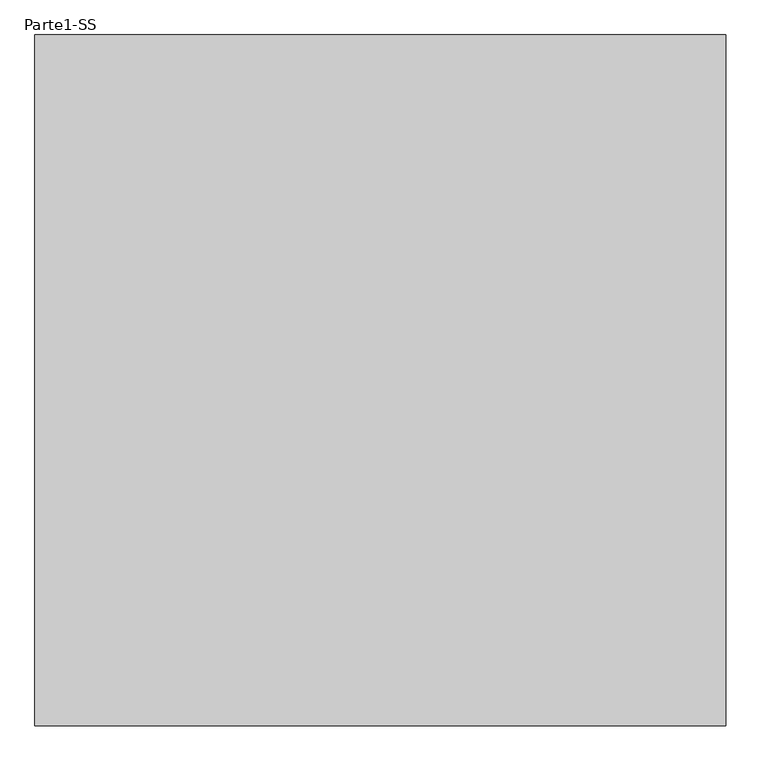
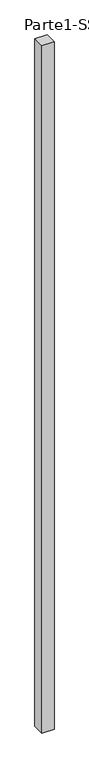
"""IFC4 building model written with IfcOpenShell, lengths in millimetres: proxy geometry, Parte1-SS."""

from ifc_helpers import new_model, si_unit, frame, origin, place, context, project, spatial, polyline, outline, extrude, source, transform, mapped, element, save


def parte1_ss_e330ee4c(model_context):
    return source(origin(), model_context, "Body", "SweptSolid", [
        extrude(outline(polyline([(2000.0, 2000.0), (2000.0, 0.0), (0.0, 0.0), (0.0, 2000.0), (2000.0, 2000.0)])), frame((0.0, 0.0, 25000.0), z_axis=(0.0, 0.0, 1.0), x_axis=(1.0, 0.0, 0.0)), (0.0, 0.0, 1.0), 120000.0),
    ])


if __name__ == "__main__":
    model = new_model("IFC4")
    model_context = context("Model", 3, world=origin())
    ifc_project = project(units=[si_unit("LENGTHUNIT", "METRE", prefix="MILLI")], contexts=[model_context])
    site = spatial("IfcSite", under=ifc_project)
    building = spatial("IfcBuilding", under=site)
    placement = place(None, origin())
    parte1_ss_shape = parte1_ss_e330ee4c(model_context)
    element("IfcBuildingElementProxy", 1, Name="Parte1-SS", ObjectType="Parte1-SS", at=placement, inside=building, context=model_context, shape_type="MappedRepresentation", body=[
        mapped(parte1_ss_shape, transform((0.0, 0.0, 0.0), x_axis=(1.0, 0.0, 0.0), y_axis=(0.0, 1.0, 0.0), z_axis=(0.0, 0.0, 1.0))),
    ])
    save(model, "model.ifc")
